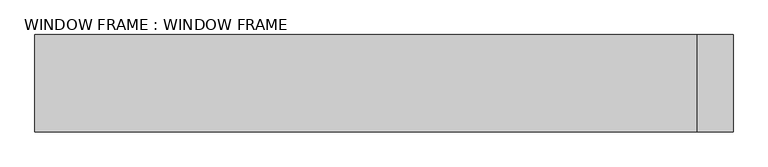
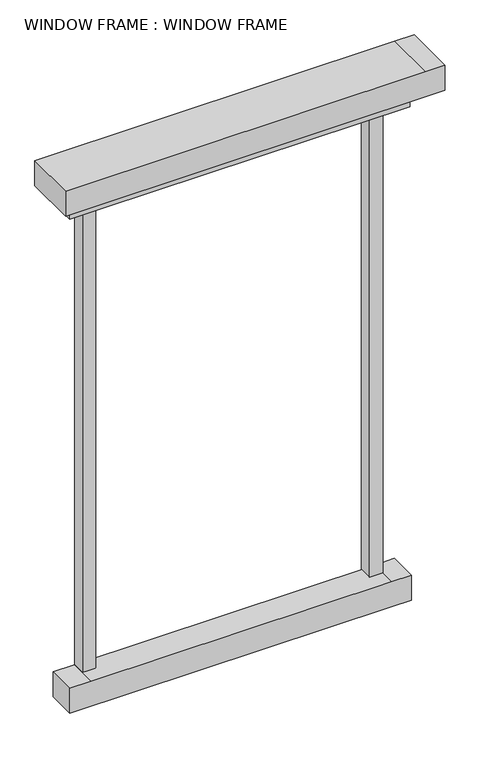
"""IFC4 building model written with IfcOpenShell, lengths in millimetres: proxy geometry, WINDOW FRAME : WINDOW FRAME."""

from ifc_helpers import new_model, si_unit, frame, origin, place, context, project, spatial, polyline, outline, extrude, source, transform, mapped, element, save


def window_frame_window_frame_6c35459a(model_context):
    return source(origin(), model_context, "Body", "SweptSolid", [
        extrude(outline(polyline([(5353.05, -11048.3679115), (5353.05, -10972.1679115), (5353.05, -9587.8679115), (5454.65, -9587.8679115), (5454.65, -9664.0679115), (5454.65, -11048.3679115), (5353.05, -11048.3679115)])), frame((0.0, -10036.4516632, 0.0), z_axis=(0.0, 1.0, 0.0), x_axis=(0.0, 0.0, 1.0)), (0.0, 0.0, 1.0), 203.7933339),
        extrude(outline(polyline([(5251.45, -10972.1679115), (5251.45, -10845.1679115), (5251.45, -9664.0679115), (5353.05, -9664.0679115), (5353.05, -9740.2679115), (5353.05, -10972.1679115), (5251.45, -10972.1679115)])), frame((0.0, -9933.9031658, 0.0), z_axis=(0.0, 1.0, 0.0), x_axis=(0.0, 0.0, 1.0)), (0.0, 0.0, 1.0), 101.2448364),
        extrude(outline(polyline([(3352.8, -10895.9679115), (3352.8, -10978.5179115), (3251.2, -10978.5179115), (3251.2, -9740.2679115), (3251.2, -9664.0679115), (3352.8, -9664.0679115), (3352.8, -9740.2679115), (3352.8, -10895.9679115)])), frame((0.0, -9944.1124827, 0.0), z_axis=(0.0, 1.0, 0.0), x_axis=(0.0, 0.0, 1.0)), (0.0, 0.0, 1.0), 111.4541533),
        extrude(outline(polyline([(-10895.9679115, -9832.6583294), (-10845.1679115, -9832.6583294), (-10845.1679115, -9886.0670981), (-10895.9679115, -9886.0670981), (-10895.9679115, -9832.6583294)])), frame((0.0, 0.0, 3352.8), z_axis=(0.0, 0.0, 1.0), x_axis=(1.0, 0.0, 0.0)), (0.0, 0.0, 1.0), 1898.65),
        extrude(outline(polyline([(-9791.0679115, -9832.6583294), (-9740.2679115, -9832.6583294), (-9740.2679115, -9886.0670981), (-9791.0679115, -9886.0670981), (-9791.0679115, -9832.6583294)])), frame((0.0, 0.0, 3352.8), z_axis=(0.0, 0.0, 1.0), x_axis=(1.0, 0.0, 0.0)), (0.0, 0.0, 1.0), 1898.65),
    ])


if __name__ == "__main__":
    model = new_model("IFC4")
    model_context = context("Model", 3, world=origin())
    ifc_project = project(units=[si_unit("LENGTHUNIT", "METRE", prefix="MILLI")], contexts=[model_context])
    site = spatial("IfcSite", under=ifc_project)
    building = spatial("IfcBuilding", under=site)
    placement = place(None, origin())
    window_frame_window_frame_shape = window_frame_window_frame_6c35459a(model_context)
    element("IfcBuildingElementProxy", 1, Name="WINDOW FRAME : WINDOW FRAME", ObjectType="WINDOW FRAME : WINDOW FRAME", at=placement, inside=building, context=model_context, shape_type="MappedRepresentation", body=[
        mapped(window_frame_window_frame_shape, transform((0.0, 0.0, 0.0), x_axis=(1.0, 0.0, 0.0), y_axis=(0.0, 1.0, 0.0), z_axis=(0.0, 0.0, 1.0))),
    ])
    save(model, "model.ifc")
